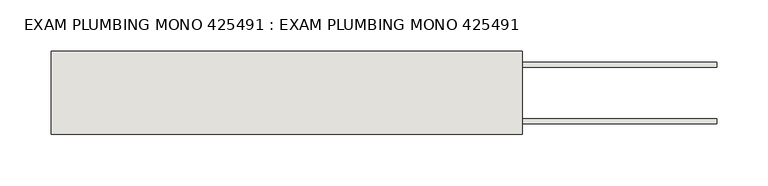
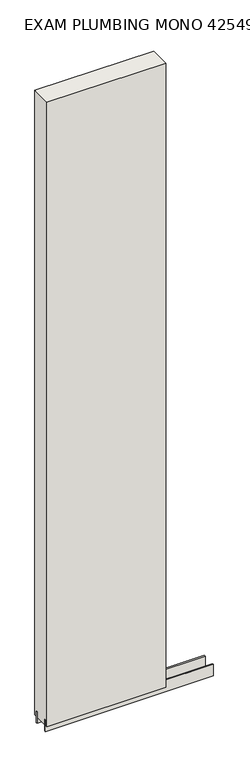
"""IFC4 building model written with IfcOpenShell, lengths in millimetres: wall geometry, EXAM PLUMBING MONO 425491 : EXAM PLUMBING MONO 425491."""

import ifcopenshell
import ifcopenshell.guid

model = None  # the IFC model being written
_history = None  # IfcOwnerHistory: only IFC2X3 demands one
_inside = {}  # id of a spatial element -> (the spatial element, [elements in it])
_under = {}  # id of a project, library or spatial element -> (it, [spatial elements below it])
_declared = {}  # id of a project -> (the project, [libraries it declares])
_typed = {}  # id of a type object -> (the type object, [elements of that type])
_made_of = {}  # id of a material, layer set ... -> (it, [elements and type objects made of it])


def new_model(schema):
    """Start an empty IFC model of exactly this schema.

    Asked for "IFC4X3", IfcOpenShell would pick the latest addendum, in which some entities
    have other attributes; the version numbers below select the first issue.
    IFC2X3 requires an IfcOwnerHistory on every rooted entity: one is made here for all.
    """
    global model, _history
    if schema == "IFC4X3":
        model = ifcopenshell.file(schema_version=(4, 3, 0, 0))
    else:
        model = ifcopenshell.file(schema=schema)
    _inside.clear()
    _under.clear()
    _declared.clear()
    _typed.clear()
    _made_of.clear()
    _history = None
    if model.schema == "IFC2X3":
        org = make("IfcOrganization", Name="unknown")
        user = make(
            "IfcPersonAndOrganization",
            ThePerson=make("IfcPerson", FamilyName="unknown"),
            TheOrganization=org,
        )
        app = make(
            "IfcApplication",
            ApplicationDeveloper=org,
            Version="unknown",
            ApplicationFullName="unknown",
            ApplicationIdentifier="unknown",
        )
        _history = make(
            "IfcOwnerHistory",
            OwningUser=user,
            OwningApplication=app,
            ChangeAction="ADDED",
            CreationDate=0,
        )
    return model


def make(cls, **values):
    """One entity of the class cls with the attributes given. An attribute that is None is left unset."""
    return model.create_entity(
        cls, **{name: value for name, value in values.items() if value is not None}
    )


def rooted(cls, **values):
    """An entity with a GlobalId (a new one), such as an element, a storey or a relation."""
    return make(cls, GlobalId=ifcopenshell.guid.new(), OwnerHistory=_history, **values)


def si_unit(unit_type, name, prefix=None):
    """IfcSIUnit, for example si_unit("LENGTHUNIT", "METRE", prefix="MILLI")."""
    return make("IfcSIUnit", UnitType=unit_type, Prefix=prefix, Name=name)


def assignment(units):
    """IfcUnitAssignment: the units of a project."""
    return None if units is None else make("IfcUnitAssignment", Units=units)


def point(xyz):
    """IfcCartesianPoint."""
    return None if xyz is None else make("IfcCartesianPoint", Coordinates=xyz)


def direction(xyz):
    """IfcDirection."""
    return None if xyz is None else make("IfcDirection", DirectionRatios=xyz)


def frame(location, z_axis=None, x_axis=None):
    """IfcAxis2Placement3D, a coordinate frame: its origin and axes. An axis left out is left unset."""
    return make(
        "IfcAxis2Placement3D",
        Location=point(location),
        Axis=direction(z_axis),
        RefDirection=direction(x_axis),
    )


def origin():
    """The frame at (0, 0, 0) with its axes left unset."""
    return frame((0.0, 0.0, 0.0))


def place(relative_to, where):
    """IfcLocalPlacement: puts the frame where relative to a parent placement (None: the world)."""
    return make(
        "IfcLocalPlacement", PlacementRelTo=relative_to, RelativePlacement=where
    )


def context(
    kind, dimensions, precision=None, world=None, true_north=None, identifier=None
):
    """IfcGeometricRepresentationContext, for example the 3D "Model" context."""
    return make(
        "IfcGeometricRepresentationContext",
        ContextIdentifier=identifier,
        ContextType=kind,
        CoordinateSpaceDimension=dimensions,
        Precision=precision,
        WorldCoordinateSystem=world,
        TrueNorth=true_north,
    )


def project(units=None, contexts=None):
    """IfcProject with its units and contexts."""
    return rooted(
        "IfcProject",
        Name="project",
        RepresentationContexts=contexts,
        UnitsInContext=assignment(units),
    )


def spatial(cls, under=None, at=None, **own):
    """A site, building, storey or space (cls), placed at a placement, below another one or the project."""
    s = rooted(cls, ObjectPlacement=at, **own)
    if under is not None:
        _under.setdefault(under.id(), (under, []))[1].append(s)
    return s


def polyline(points):
    """IfcPolyline through the points."""
    return make("IfcPolyline", Points=[point(p) for p in points])


def outline(outer, holes=None, kind="AREA"):
    """IfcArbitraryClosedProfileDef: a profile drawn as a closed curve; with holes, ...WithVoids."""
    if holes is None:
        return make("IfcArbitraryClosedProfileDef", ProfileType=kind, OuterCurve=outer)
    return make(
        "IfcArbitraryProfileDefWithVoids",
        ProfileType=kind,
        OuterCurve=outer,
        InnerCurves=holes,
    )


def extrude(swept, where, along, depth):
    """IfcExtrudedAreaSolid: the profile swept, set in the frame where, extruded along a direction by depth."""
    return make(
        "IfcExtrudedAreaSolid",
        SweptArea=swept,
        Position=where,
        ExtrudedDirection=direction(along),
        Depth=depth,
    )


def shape(context_of_items, identifier, shape_type, items):
    """IfcShapeRepresentation: the items that make up one representation, for example the "Body"."""
    return make(
        "IfcShapeRepresentation",
        ContextOfItems=context_of_items,
        RepresentationIdentifier=identifier,
        RepresentationType=shape_type,
        Items=items,
    )


def source(mapping_origin, context_of_items, identifier, shape_type, items):
    """IfcRepresentationMap: a shape defined once, which mapped items show again and again."""
    return make(
        "IfcRepresentationMap",
        MappingOrigin=mapping_origin,
        MappedRepresentation=shape(context_of_items, identifier, shape_type, items),
    )


def transform(
    local_origin,
    x_axis=None,
    y_axis=None,
    z_axis=None,
    scale=None,
    scale2=None,
    scale3=None,
    uniform=True,
):
    """IfcCartesianTransformationOperator3D, or its non-uniform kind. x_axis, y_axis, z_axis: its Axis1, 2, 3."""
    if uniform:
        return make(
            "IfcCartesianTransformationOperator3D",
            Axis1=direction(x_axis),
            Axis2=direction(y_axis),
            LocalOrigin=point(local_origin),
            Scale=scale,
            Axis3=direction(z_axis),
        )
    return make(
        "IfcCartesianTransformationOperator3DnonUniform",
        Axis1=direction(x_axis),
        Axis2=direction(y_axis),
        LocalOrigin=point(local_origin),
        Scale=scale,
        Axis3=direction(z_axis),
        Scale2=scale2,
        Scale3=scale3,
    )


def mapped(mapping_source, mapping_target):
    """IfcMappedItem: shows the shape of a source again, moved by a transform."""
    return make(
        "IfcMappedItem", MappingSource=mapping_source, MappingTarget=mapping_target
    )


def made_of(thing, what):
    """Note that an element or type object is made of a material, layer set ...; save() writes the relation."""
    if what is not None:
        _made_of.setdefault(what.id(), (what, []))[1].append(thing)
    return thing


def element(
    cls,
    number,
    at=None,
    inside=None,
    cuts=None,
    type_object=None,
    material=None,
    context=None,
    identifier="Body",
    shape_type=None,
    held_by="IfcProductDefinitionShape",
    body=None,
    shapes=None,
    **own,
):
    """One element of the class cls, such as IfcWall. Its Tag is "e" and its number.

    at: its placement. inside: the storey or other place that contains it. cuts: it is an
    opening in that element (IfcRelVoidsElement). A single representation is given by context,
    identifier, shape_type and body (its items); several are given by shapes. held_by: the class
    of the entity that holds the representations. save() writes the other relations.
    """
    e = rooted(cls, Tag="e%d" % number, ObjectPlacement=at, **own)
    if body is not None:
        shapes = [shape(context, identifier, shape_type, body)]
    if shapes is not None:
        e.Representation = make(held_by, Representations=shapes)
    if inside is not None:
        _inside.setdefault(inside.id(), (inside, []))[1].append(e)
    if cuts is not None:
        rooted(
            "IfcRelVoidsElement", RelatingBuildingElement=cuts, RelatedOpeningElement=e
        )
    if type_object is not None:
        _typed.setdefault(type_object.id(), (type_object, []))[1].append(e)
    return made_of(e, material)


def aggregate(whole, parts):
    """IfcRelAggregates: a whole, such as a stair, and the parts it consists of."""
    return rooted("IfcRelAggregates", RelatingObject=whole, RelatedObjects=parts)


def save(model, path):
    """Write the relations noted so far, then the file.

    IfcRelAggregates (storeys below a building ...), IfcRelContainedInSpatialStructure (elements
    in a storey), IfcRelDefinesByType, IfcRelAssociatesMaterial and IfcRelDeclares: one each for
    every whole, place, type object, material and project.
    """
    for whole, parts in _under.values():
        aggregate(whole, parts)
    for where, things in _inside.values():
        rooted(
            "IfcRelContainedInSpatialStructure",
            RelatedElements=things,
            RelatingStructure=where,
        )
    for kind, things in _typed.values():
        rooted("IfcRelDefinesByType", RelatedObjects=things, RelatingType=kind)
    for what, things in _made_of.values():
        rooted("IfcRelAssociatesMaterial", RelatedObjects=things, RelatingMaterial=what)
    for by, libraries in _declared.values():
        rooted("IfcRelDeclares", RelatingContext=by, RelatedDefinitions=libraries)
    model.write(path)


def exam_plumbing_mono_425491_exam_plumbing_mono_425491_6f076f42(model_context):
    return source(origin(), model_context, "Body", "SweptSolid", [
        extrude(outline(polyline([(71420.968918, -43072.0636398), (71423.508918, -43072.0636398), (71423.508918, -43074.6036398), (71420.968918, -43074.6036398), (71420.968918, -43072.0636398)])), frame((0.0, 0.0, 4419.6), z_axis=(0.0, 0.0, 1.0), x_axis=(1.0, 0.0, 0.0)), (0.0, 0.0, 1.0), 2.54),
        extrude(outline(polyline([(70962.366203, -43098.4142856), (71614.003965, -43098.4142856), (71614.003965, -43103.4961398), (70962.366203, -43103.4961398), (70962.366203, -43098.4142856)])), frame((0.0, 0.0, 4418.6602), z_axis=(0.0, 0.0, 1.0), x_axis=(1.0, 0.0, 0.0)), (0.0, 0.0, 1.0), 47.625),
        extrude(outline(polyline([(70962.366203, -43098.4142856), (71614.003965, -43098.4142856), (71614.003965, -43103.4961398), (70962.366203, -43103.4961398), (70962.366203, -43098.4142856)])), frame((0.0, 0.0, 4418.6602), z_axis=(0.0, 0.0, 1.0), x_axis=(1.0, 0.0, 0.0)), (0.0, 0.0, 1.0), 47.625),
        extrude(outline(polyline([(71614.003965, -43048.2498952), (70962.366203, -43048.2498952), (70962.366203, -43043.1711398), (71614.003965, -43043.1711398), (71614.003965, -43048.2498952)])), frame((0.0, 0.0, 4418.6602), z_axis=(0.0, 0.0, 1.0), x_axis=(1.0, 0.0, 0.0)), (0.0, 0.0, 1.0), 47.625),
        extrude(outline(polyline([(71614.003965, -43048.2498952), (70962.366203, -43048.2498952), (70962.366203, -43043.1711398), (71614.003965, -43043.1711398), (71614.003965, -43048.2498952)])), frame((0.0, 0.0, 4418.6602), z_axis=(0.0, 0.0, 1.0), x_axis=(1.0, 0.0, 0.0)), (0.0, 0.0, 1.0), 47.625),
        extrude(outline(polyline([(70962.366203, -43113.9854254), (70962.366203, -43032.70667), (71423.503965, -43032.70667), (71423.503965, -43113.9854254), (70962.366203, -43113.9854254)])), frame((0.0, 0.0, 4445.0), z_axis=(0.0, 0.0, 1.0), x_axis=(1.0, 0.0, 0.0)), (0.0, 0.0, 1.0), 2562.4536762),
    ])


if __name__ == "__main__":
    model = new_model("IFC4")
    model_context = context("Model", 3, world=origin())
    ifc_project = project(units=[si_unit("LENGTHUNIT", "METRE", prefix="MILLI")], contexts=[model_context])
    site = spatial("IfcSite", under=ifc_project)
    building = spatial("IfcBuilding", under=site)
    placement = place(None, origin())
    exam_plumbing_mono_425491_exam_plumbing_mono_425491_shape = exam_plumbing_mono_425491_exam_plumbing_mono_425491_6f076f42(model_context)
    element("IfcWall", 1, ObjectType="EXAM PLUMBING MONO 425491 : EXAM PLUMBING MONO 425491", at=placement, inside=building, context=model_context, shape_type="MappedRepresentation", body=[
        mapped(exam_plumbing_mono_425491_exam_plumbing_mono_425491_shape, transform((0.0, 0.0, 0.0), x_axis=(1.0, 0.0, 0.0), y_axis=(0.0, 1.0, 0.0), z_axis=(0.0, 0.0, 1.0))),
    ])
    save(model, "model.ifc")
